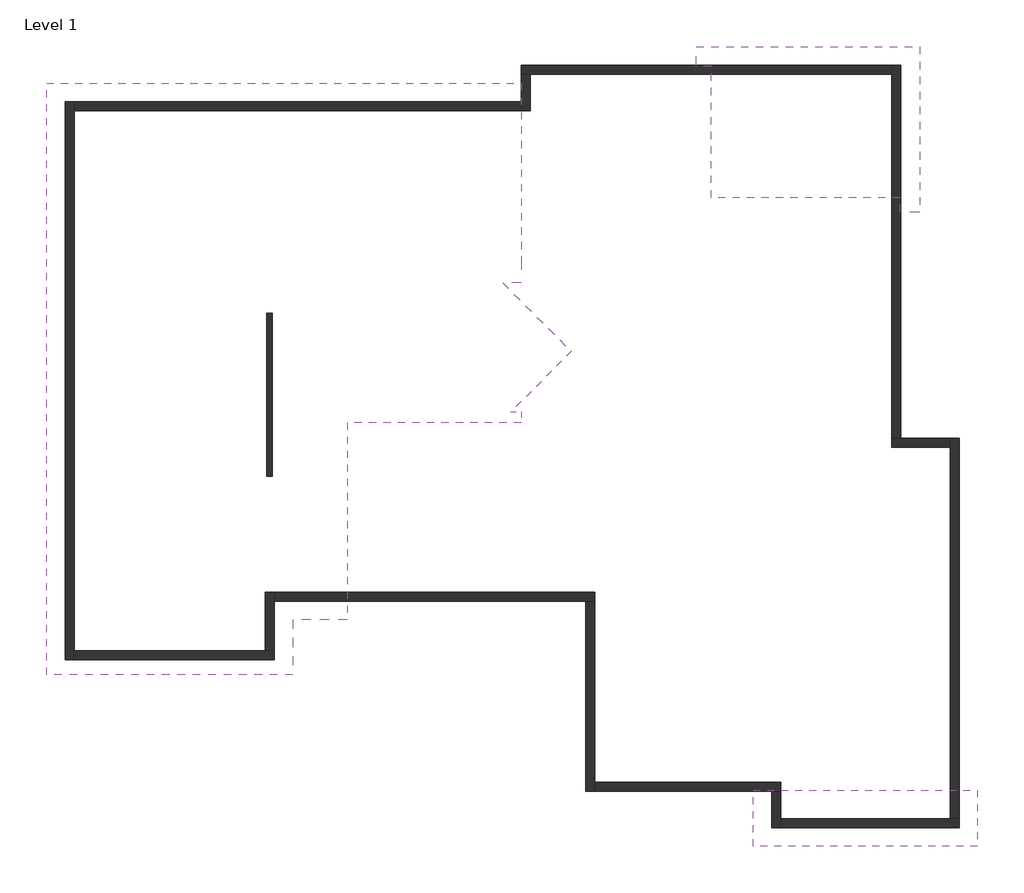
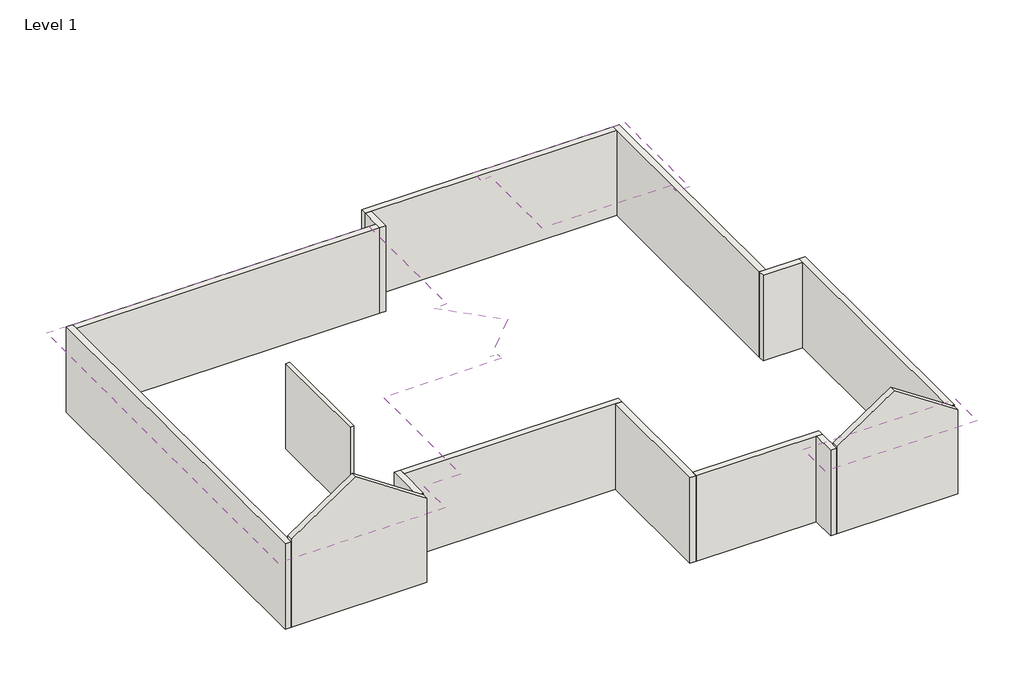
# One storey: 15 walls, 3 roofs.
"""IFC4 building model written with IfcOpenShell, lengths in millimetres."""

from ifc_helpers import new_model, si_unit, frame, origin, origin_with_axes, place, context, project, spatial, polyline, outline, extrude, faceted_brep, element, save

model = new_model("IFC4")

# Units and contexts
model_context = context("Model", 3, world=origin())
ifc_project = project(units=[si_unit("LENGTHUNIT", "METRE", prefix="MILLI")], contexts=[model_context])

# Site, building, storey
site = spatial("IfcSite", under=ifc_project)
building = spatial("IfcBuilding", under=site)
storey = spatial("IfcBuildingStorey", under=building, Name="Level 1", Elevation=0.0)

# Roofs
placement = place(None, origin())
element("IfcRoof", 1, ObjectType="Generic - 12\"", at=placement, inside=storey, context=model_context, shape_type="Brep", body=[
    faceted_brep([(5819.76631, -5743.1064868, 4177.2372995), (3254.36631, -5743.1064868, 2466.975), (3254.36631, 6577.4810132, 2466.975), (8842.36631, 989.4810132, 6192.2988206), (5819.76631, -2033.1189868, 4177.2372995), (8385.16631, -4598.5189868, 2466.975), (8385.16631, -5743.1064868, 2466.975), (3254.36631, -5743.1064868, 2833.2987218), (5819.76631, -5743.1064868, 4543.5610212), (5819.76631, -2033.1189868, 4543.5610212), (8842.36631, 989.4810132, 6558.6225424), (3254.36631, 6577.4810132, 2833.2987218), (8385.16631, -5743.1064868, 2833.2987218), (8385.16631, -4598.5189868, 2833.2987218), (13141.31631, -494.8314868, 5569.0834025), (9515.46631, -494.8314868, 5569.0834025), (9515.46631, -494.8314868, 5202.7596808), (13141.31631, -494.8314868, 5202.7596808), (9515.46631, -4598.5189868, 2833.2987218), (9515.46631, -4598.5189868, 2466.975), (13634.8062075, 989.4810132, 6192.2988206), (12753.96631, 108.6411157, 5605.0737218), (12753.96631, -266.2314868, 5355.1592916), (13141.31631, -266.2314868, 5355.1592916), (13141.31631, 6577.4810132, 2466.975), (13141.31631, 2419.8078965, 5238.75), (12753.96631, 2419.8078965, 5238.75), (12753.96631, 1870.3209107, 5605.0737218), (13141.31631, -266.2314868, 5721.4830134), (12928.5806933, -266.2314868, 5721.4830134), (14184.2931933, 989.4810132, 6558.6225424), (13141.31631, 6577.4810132, 2833.2987218), (12753.96631, 2419.8078965, 5605.0737218), (12753.96631, 2969.2948823, 5238.75), (13141.31631, 2969.2948823, 5238.75), (12753.96631, -266.2314868, 5605.0737218)], [[[0, 1, 2, 3, 4]], [[5, 6, 0, 4]], [[7, 8, 9, 10, 11]], [[12, 13, 9, 8]], [[5, 13, 12, 6]], [[1, 7, 11, 2]], [[12, 8, 7, 1, 0, 6]], [[14, 15, 16, 17]], [[15, 18, 19, 16]], [[19, 5, 4, 3, 20, 21, 22, 23, 17, 16]], [[24, 25, 26, 27, 20, 3, 2]], [[13, 18, 15, 14, 28, 29, 30, 10, 9]], [[31, 11, 10, 30, 32, 33, 34]], [[19, 18, 13, 5]], [[2, 11, 31, 24]], [[28, 14, 17, 23]], [[31, 34, 25, 24]], [[25, 34, 33, 26]], [[22, 35, 29, 28, 23]], [[33, 32, 27, 26]], [[32, 30, 29, 35, 21, 20, 27]], [[35, 22, 21]]]),
])
element("IfcRoof", 2, ObjectType="Generic - 12\"", at=placement, inside=storey, context=model_context, shape_type="SweptSolid", body=[
    extrude(outline(polyline([(2833.2987218, 22647.26631), (4391.1614104, 20310.46631), (2833.2987218, 17973.66631), (2466.975, 17973.66631), (4024.8376886, 20310.46631), (2466.975, 22647.26631), (2833.2987218, 22647.26631)])), frame((0.0, -9322.9189868, 0.0), z_axis=(0.0, 1.0, 0.0), x_axis=(0.0, 0.0, 1.0)), (0.0, 0.0, 1.0), 1168.4),
])
element("IfcRoof", 3, ObjectType="Generic - 12\"", at=placement, inside=storey, context=model_context, shape_type="Brep", body=[
    faceted_brep([(18294.34131, 4193.0560132, 4564.5863104), (17097.36631, 4193.0560132, 4564.5863104), (17097.36631, 6933.0810132, 2737.9076415), (16792.56631, 6933.0810132, 2737.9076415), (16792.56631, 7339.4810132, 2466.975), (21440.76631, 7339.4810132, 2466.975), (21034.36631, 3888.2560132, 2737.9076415), (21034.36631, 4193.0560132, 2737.9076415), (21440.76631, 3888.2560132, 2466.975), (17097.36631, 4193.0560132, 4930.9100321), (18294.34131, 4193.0560132, 4930.9100321), (21440.76631, 7339.4810132, 2833.2987218), (16792.56631, 7339.4810132, 2833.2987218), (16792.56631, 6933.0810132, 3104.2313633), (17097.36631, 6933.0810132, 3104.2313633), (21034.36631, 4193.0560132, 3104.2313633), (21034.36631, 3888.2560132, 3104.2313633), (21440.76631, 3888.2560132, 2833.2987218)], [[[0, 1, 2, 3, 4, 5]], [[6, 7, 0, 5, 8]], [[9, 10, 11, 12, 13, 14]], [[15, 16, 17, 11, 10]], [[5, 11, 17, 8]], [[4, 12, 11, 5]], [[15, 10, 9, 1, 0, 7]], [[9, 14, 2, 1]], [[13, 12, 4, 3]], [[14, 13, 3, 2]], [[16, 15, 7, 6]], [[17, 16, 6, 8]]]),
])

# Walls
element("IfcWall", 4, ObjectType="2x6 Exterior with Vinyl Siding", at=placement, inside=storey, context=model_context, shape_type="Brep", body=[
    faceted_brep([(3641.71631, 6190.1310132, 0.0), (3641.71631, -5430.3689868, 0.0), (3641.71631, -5430.3689868, 2771.775), (3641.71631, 6190.1310132, 2771.775), (3829.04131, 6190.1310132, 0.0), (3829.04131, 6190.1310132, 2771.775), (3829.04131, 6002.8060132, 2771.775), (3829.04131, -5430.3689868, 2771.775), (3829.04131, -5430.3689868, 0.0), (3829.04131, -5243.0439868, 0.0), (3829.04131, 6002.8060132, 0.0)], [[[0, 1, 2, 3]], [[4, 5, 6, 7, 8, 9, 10]], [[1, 0, 4, 10, 9, 8]], [[3, 2, 7, 6, 5]], [[2, 1, 8, 7]], [[0, 3, 5, 4]]]),
])
element("IfcWall", 5, ObjectType="2x6 Exterior with Vinyl Siding", at=placement, inside=storey, context=model_context, shape_type="Brep", body=[
    faceted_brep([(3829.04131, -5430.3689868, 0.0), (7997.81631, -5430.3689868, 0.0), (7997.81631, -5430.3689868, 2725.2076739), (5819.76631, -5430.3689868, 4177.2372995), (3829.04131, -5430.3689868, 2850.0906884), (3829.04131, -5430.3689868, 2771.775), (3829.04131, -5243.0439868, 0.0), (3829.04131, -5243.0439868, 2850.0906884), (5819.76631, -5243.0439868, 4177.2372995), (7997.81631, -5243.0439868, 2725.2076739), (7997.81631, -5243.0439868, 0.0), (7810.49131, -5243.0439868, 0.0)], [[[0, 1, 2, 3, 4, 5]], [[6, 7, 8, 9, 10, 11]], [[1, 0, 6, 11, 10]], [[0, 5, 4, 7, 6]], [[2, 1, 10, 9]], [[4, 3, 8, 7]], [[3, 2, 9, 8]]]),
])
element("IfcWall", 6, ObjectType="2x6 Exterior with Vinyl Siding", at=placement, inside=storey, context=model_context, shape_type="Brep", body=[
    faceted_brep([(7997.81631, -5243.0439868, 0.0), (7997.81631, -4211.1689868, 0.0), (7997.81631, -4023.8439868, 0.0), (7997.81631, -4023.8439868, 2771.775), (7997.81631, -4211.1689868, 2771.775), (7997.81631, -5243.0439868, 2771.775), (7997.81631, -5243.0439868, 2725.2076739), (7810.49131, -5243.0439868, 0.0), (7810.49131, -5243.0439868, 2771.775), (7810.49131, -4023.8439868, 2771.775), (7810.49131, -4023.8439868, 0.0)], [[[0, 1, 2, 3, 4, 5, 6]], [[7, 8, 9, 10]], [[2, 1, 0, 7, 10]], [[5, 4, 3, 9, 8]], [[0, 6, 5, 8, 7]], [[3, 2, 10, 9]]]),
])
element("IfcWall", 7, ObjectType="2x6 Exterior with Vinyl Siding", at=placement, inside=storey, context=model_context, shape_type="Brep", body=[
    faceted_brep([(7997.81631, -4211.1689868, 0.0), (14487.51631, -4211.1689868, 0.0), (14674.84131, -4211.1689868, 0.0), (14674.84131, -4211.1689868, 2771.775), (14487.51631, -4211.1689868, 2771.775), (7997.81631, -4211.1689868, 2771.775), (7997.81631, -4023.8439868, 0.0), (7997.81631, -4023.8439868, 2771.775), (14674.84131, -4023.8439868, 2771.775), (14674.84131, -4023.8439868, 0.0)], [[[0, 1, 2, 3, 4, 5]], [[6, 7, 8, 9]], [[2, 1, 0, 6, 9]], [[5, 4, 3, 8, 7]], [[0, 5, 7, 6]], [[3, 2, 9, 8]]]),
])
element("IfcWall", 8, ObjectType="2x6 Exterior with Vinyl Siding", at=placement, inside=storey, context=model_context, shape_type="Brep", body=[
    faceted_brep([(14487.51631, -4211.1689868, 0.0), (14487.51631, -8173.5689868, 0.0), (14487.51631, -8173.5689868, 2771.775), (14487.51631, -4211.1689868, 2771.775), (14674.84131, -4211.1689868, 0.0), (14674.84131, -4211.1689868, 2771.775), (14674.84131, -7986.2439868, 2771.775), (14674.84131, -8173.5689868, 2771.775), (14674.84131, -8173.5689868, 0.0), (14674.84131, -7986.2439868, 0.0)], [[[0, 1, 2, 3]], [[4, 5, 6, 7, 8, 9]], [[1, 0, 4, 9, 8]], [[3, 2, 7, 6, 5]], [[0, 3, 5, 4]], [[2, 1, 8, 7]]]),
])
element("IfcWall", 9, ObjectType="2x6 Exterior with Vinyl Siding", at=placement, inside=storey, context=model_context, shape_type="Brep", body=[
    faceted_brep([(14674.84131, -8173.5689868, 0.0), (18361.01631, -8173.5689868, 0.0), (18548.34131, -8173.5689868, 0.0), (18548.34131, -8173.5689868, 2771.775), (18361.01631, -8173.5689868, 2771.775), (14674.84131, -8173.5689868, 2771.775), (14674.84131, -7986.2439868, 0.0), (14674.84131, -7986.2439868, 2771.775), (18548.34131, -7986.2439868, 2771.775), (18548.34131, -7986.2439868, 0.0)], [[[0, 1, 2, 3, 4, 5]], [[6, 7, 8, 9]], [[2, 1, 0, 6, 9]], [[5, 4, 3, 8, 7]], [[0, 5, 7, 6]], [[3, 2, 9, 8]]]),
])
element("IfcWall", 10, ObjectType="2x6 Exterior with Vinyl Siding", at=placement, inside=storey, context=model_context, shape_type="Brep", body=[
    faceted_brep([(18361.01631, -8173.5689868, 0.0), (18361.01631, -8935.5689868, 0.0), (18361.01631, -8935.5689868, 2771.775), (18361.01631, -8173.5689868, 2771.775), (18548.34131, -8173.5689868, 0.0), (18548.34131, -8173.5689868, 2771.775), (18548.34131, -8935.5689868, 2771.775), (18548.34131, -8935.5689868, 0.0), (18548.34131, -8748.2439868, 0.0)], [[[0, 1, 2, 3]], [[4, 5, 6, 7, 8]], [[1, 0, 4, 8, 7]], [[3, 2, 6, 5]], [[0, 3, 5, 4]], [[2, 1, 7, 6]]]),
])
element("IfcWall", 11, ObjectType="2x6 Exterior with Vinyl Siding", at=placement, inside=storey, context=model_context, shape_type="Brep", body=[
    faceted_brep([(18548.34131, -8935.5689868, 0.0), (22272.61631, -8935.5689868, 0.0), (22272.61631, -8935.5689868, 2716.7410289), (20310.46631, -8935.5689868, 4024.8376886), (18548.34131, -8935.5689868, 2850.0906884), (18548.34131, -8935.5689868, 2771.775), (18548.34131, -8748.2439868, 0.0), (18548.34131, -8748.2439868, 2850.0906884), (20310.46631, -8748.2439868, 4024.8376886), (22272.61631, -8748.2439868, 2716.7410289), (22272.61631, -8748.2439868, 0.0), (22085.29131, -8748.2439868, 0.0)], [[[0, 1, 2, 3, 4, 5]], [[6, 7, 8, 9, 10, 11]], [[1, 0, 6, 11, 10]], [[0, 5, 4, 7, 6]], [[2, 1, 10, 9]], [[4, 3, 8, 7]], [[3, 2, 9, 8]]]),
])
element("IfcWall", 12, ObjectType="2x6 Exterior with Vinyl Siding", at=placement, inside=storey, context=model_context, shape_type="Brep", body=[
    faceted_brep([(22272.61631, -8748.2439868, 0.0), (22272.61631, -820.2689868, 0.0), (22272.61631, -820.2689868, 2771.775), (22272.61631, -8748.2439868, 2771.775), (22272.61631, -8748.2439868, 2716.7410289), (22085.29131, -8748.2439868, 0.0), (22085.29131, -8748.2439868, 2771.775), (22085.29131, -1007.5939868, 2771.775), (22085.29131, -820.2689868, 2771.775), (22085.29131, -820.2689868, 0.0), (22085.29131, -1007.5939868, 0.0)], [[[0, 1, 2, 3, 4]], [[5, 6, 7, 8, 9, 10]], [[1, 0, 5, 10, 9]], [[3, 2, 8, 7, 6]], [[0, 4, 3, 6, 5]], [[2, 1, 9, 8]]]),
])
element("IfcWall", 13, ObjectType="2x6 Exterior with Vinyl Siding", at=placement, inside=storey, context=model_context, shape_type="Brep", body=[
    faceted_brep([(22085.29131, -820.2689868, 0.0), (21053.41631, -820.2689868, 0.0), (20866.09131, -820.2689868, 0.0), (20866.09131, -820.2689868, 2771.775), (21053.41631, -820.2689868, 2771.775), (22085.29131, -820.2689868, 2771.775), (22085.29131, -1007.5939868, 0.0), (22085.29131, -1007.5939868, 2771.775), (20866.09131, -1007.5939868, 2771.775), (20866.09131, -1007.5939868, 0.0)], [[[0, 1, 2, 3, 4, 5]], [[6, 7, 8, 9]], [[2, 1, 0, 6, 9]], [[5, 4, 3, 8, 7]], [[0, 5, 7, 6]], [[3, 2, 9, 8]]]),
])
element("IfcWall", 14, ObjectType="2x6 Exterior with Vinyl Siding", at=placement, inside=storey, context=model_context, shape_type="Brep", body=[
    faceted_brep([(21053.41631, -820.2689868, 0.0), (21053.41631, 6952.1310132, 0.0), (21053.41631, 6952.1310132, 2771.775), (21053.41631, -820.2689868, 2771.775), (20866.09131, -820.2689868, 0.0), (20866.09131, -820.2689868, 2771.775), (20866.09131, 6764.8060132, 2771.775), (20866.09131, 6952.1310132, 2771.775), (20866.09131, 6952.1310132, 0.0), (20866.09131, 6764.8060132, 0.0)], [[[0, 1, 2, 3]], [[4, 5, 6, 7, 8, 9]], [[1, 0, 4, 9, 8]], [[3, 2, 7, 6, 5]], [[0, 3, 5, 4]], [[2, 1, 8, 7]]]),
])
element("IfcWall", 15, ObjectType="2x6 Exterior with Vinyl Siding", at=placement, inside=storey, context=model_context, shape_type="Brep", body=[
    faceted_brep([(20866.09131, 6952.1310132, 0.0), (13141.31631, 6952.1310132, 0.0), (13141.31631, 6952.1310132, 2771.775), (20866.09131, 6952.1310132, 2771.775), (20866.09131, 6764.8060132, 0.0), (20866.09131, 6764.8060132, 2771.775), (13328.64131, 6764.8060132, 2771.775), (13141.31631, 6764.8060132, 2771.775), (13141.31631, 6764.8060132, 0.0), (13328.64131, 6764.8060132, 0.0)], [[[0, 1, 2, 3]], [[4, 5, 6, 7, 8, 9]], [[1, 0, 4, 9, 8]], [[3, 2, 7, 6, 5]], [[0, 3, 5, 4]], [[2, 1, 8, 7]]]),
])
element("IfcWall", 16, ObjectType="2x6 Exterior with Vinyl Siding", at=placement, inside=storey, context=model_context, shape_type="Brep", body=[
    faceted_brep([(13141.31631, 6764.8060132, 0.0), (13141.31631, 6190.1310132, 0.0), (13141.31631, 6002.8060132, 0.0), (13141.31631, 6002.8060132, 2771.775), (13141.31631, 6190.1310132, 2771.775), (13141.31631, 6764.8060132, 2771.775), (13328.64131, 6764.8060132, 0.0), (13328.64131, 6764.8060132, 2771.775), (13328.64131, 6002.8060132, 2771.775), (13328.64131, 6002.8060132, 0.0)], [[[0, 1, 2, 3, 4, 5]], [[6, 7, 8, 9]], [[2, 1, 0, 6, 9]], [[5, 4, 3, 8, 7]], [[0, 5, 7, 6]], [[3, 2, 9, 8]]]),
])
element("IfcWall", 17, ObjectType="2x6 Exterior with Vinyl Siding", at=placement, inside=storey, context=model_context, shape_type="SweptSolid", body=[
    extrude(outline(polyline([(3829.04131, 6190.1310132), (13141.31631, 6190.1310132), (13141.31631, 6002.8060132), (3829.04131, 6002.8060132), (3829.04131, 6190.1310132)])), origin_with_axes(), (0.0, 0.0, 1.0), 2771.775),
])
element("IfcWall", 18, ObjectType="Interior 3.5 with .5 each side", at=placement, inside=storey, context=model_context, shape_type="SweptSolid", body=[
    extrude(outline(polyline([(7953.36631, 1789.0679155), (7953.36631, -1614.5320845), (7839.06631, -1614.5320845), (7839.06631, 1789.0679155), (7953.36631, 1789.0679155)])), origin_with_axes(), (0.0, 0.0, 1.0), 2771.775),
])

save(model, "model.ifc")
